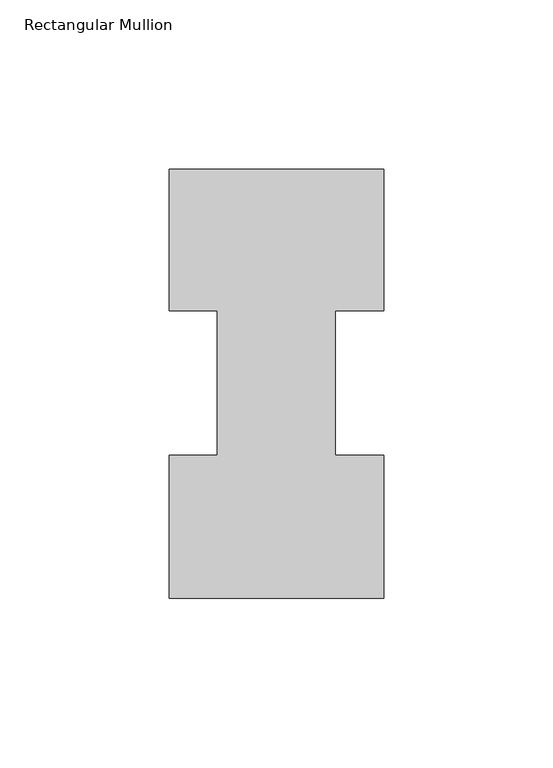
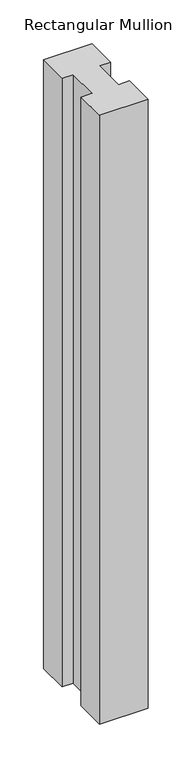
"""IFC4 building model written with IfcOpenShell, lengths in millimetres: member geometry, Rectangular Mullion."""

from ifc_helpers import new_model, si_unit, frame, origin, place, context, project, spatial, polyline, outline, extrude, source, transform, mapped, element, save


def rectangular_mullion_ddf049f6(model_context):
    return source(origin(), model_context, "Body", "SweptSolid", [
        extrude(outline(polyline([(31.75, 84.93125), (17.4625, 84.93125), (17.4625, 42.08145), (31.75, 42.08145), (31.75, -0.20955), (-31.75, -0.20955), (-31.75, 42.08145), (-17.4625, 42.08145), (-17.4625, 84.93125), (-31.75, 84.93125), (-31.75, 126.79045), (31.75, 126.79045), (31.75, 84.93125)])), frame((0.0, 0.0, -844.55), z_axis=(0.0, 0.0, 1.0), x_axis=(1.0, 0.0, 0.0)), (0.0, 0.0, 1.0), 844.55),
    ])


if __name__ == "__main__":
    model = new_model("IFC4")
    model_context = context("Model", 3, world=origin())
    ifc_project = project(units=[si_unit("LENGTHUNIT", "METRE", prefix="MILLI")], contexts=[model_context])
    site = spatial("IfcSite", under=ifc_project)
    building = spatial("IfcBuilding", under=site)
    placement = place(None, origin())
    rectangular_mullion_shape = rectangular_mullion_ddf049f6(model_context)
    element("IfcMember", 1, ObjectType="Rectangular Mullion", at=placement, inside=building, context=model_context, shape_type="MappedRepresentation", body=[
        mapped(rectangular_mullion_shape, transform((0.0, 0.0, 0.0), x_axis=(1.0, 0.0, 0.0), y_axis=(0.0, 1.0, 0.0), z_axis=(0.0, 0.0, 1.0))),
    ])
    save(model, "model.ifc")
